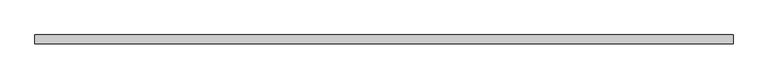
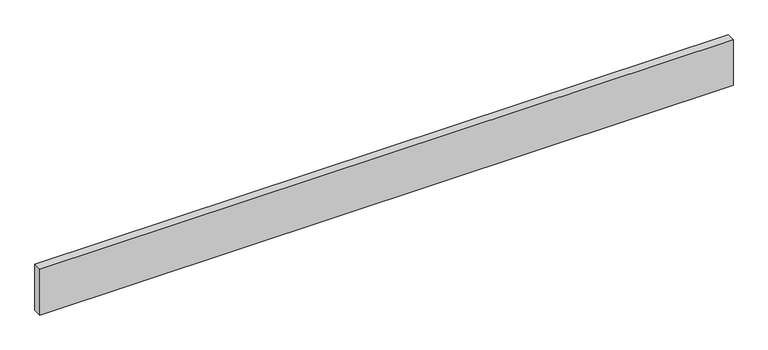
"""IFC4 building model written with IfcOpenShell, lengths in millimetres: beam geometry."""

from ifc_helpers import new_model, si_unit, frame, origin, place, context, project, spatial, polyline, outline, extrude, source, transform, mapped, element, save


def beam_5c2a9909(model_context):
    return source(origin(), model_context, "Body", "SweptSolid", [
        extrude(outline(polyline([(1437.6087701, -18.0), (-1437.6087701, -18.0), (-1437.6087701, 18.0), (1437.6087701, 18.0), (1437.6087701, -18.0)])), frame((0.0, 0.0, -100.0), z_axis=(0.0, 0.0, 1.0), x_axis=(1.0, 0.0, 0.0)), (0.0, 0.0, 1.0), 200.0),
    ])


if __name__ == "__main__":
    model = new_model("IFC4")
    model_context = context("Model", 3, world=origin())
    ifc_project = project(units=[si_unit("LENGTHUNIT", "METRE", prefix="MILLI")], contexts=[model_context])
    site = spatial("IfcSite", under=ifc_project)
    building = spatial("IfcBuilding", under=site)
    placement = place(None, origin())
    beam_shape = beam_5c2a9909(model_context)
    element("IfcBeam", 1, at=placement, inside=building, context=model_context, shape_type="MappedRepresentation", body=[
        mapped(beam_shape, transform((0.0, 0.0, 0.0), x_axis=(1.0, 0.0, 0.0), y_axis=(0.0, 1.0, 0.0), z_axis=(0.0, 0.0, 1.0))),
    ])
    save(model, "model.ifc")
